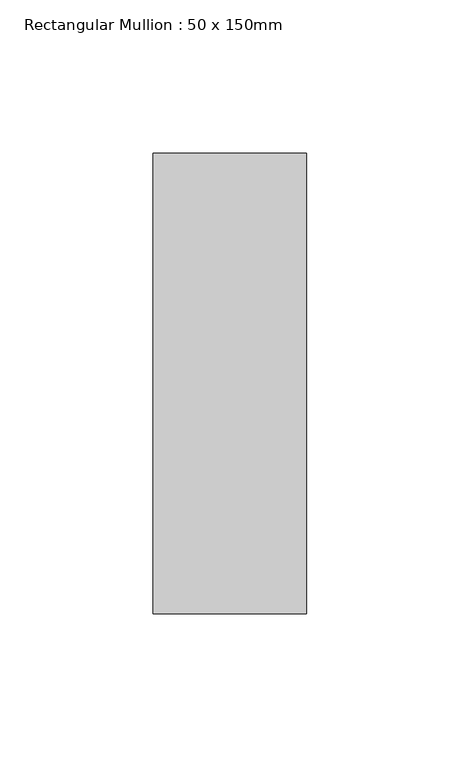
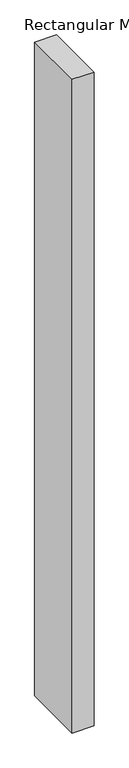
"""IFC4 building model written with IfcOpenShell, lengths in millimetres: member geometry, Rectangular Mullion : 50 x 150mm."""

from ifc_helpers import new_model, si_unit, frame, origin, place, context, project, spatial, polyline, outline, extrude, source, transform, mapped, element, save


def rectangular_mullion_50_x_150mm_280fadc7(model_context):
    return source(origin(), model_context, "Body", "SweptSolid", [
        extrude(outline(polyline([(0.0, 75.0), (0.0, -75.0), (-50.0, -75.0), (-50.0, 75.0), (0.0, 75.0)])), frame((0.0, 0.0, -1594.0), z_axis=(0.0, 0.0, 1.0), x_axis=(1.0, 0.0, 0.0)), (0.0, 0.0, 1.0), 1594.0),
    ])


if __name__ == "__main__":
    model = new_model("IFC4")
    model_context = context("Model", 3, world=origin())
    ifc_project = project(units=[si_unit("LENGTHUNIT", "METRE", prefix="MILLI")], contexts=[model_context])
    site = spatial("IfcSite", under=ifc_project)
    building = spatial("IfcBuilding", under=site)
    placement = place(None, origin())
    rectangular_mullion_50_x_150mm_shape = rectangular_mullion_50_x_150mm_280fadc7(model_context)
    element("IfcMember", 1, ObjectType="Rectangular Mullion : 50 x 150mm", at=placement, inside=building, context=model_context, shape_type="MappedRepresentation", body=[
        mapped(rectangular_mullion_50_x_150mm_shape, transform((0.0, 0.0, 0.0), x_axis=(1.0, 0.0, 0.0), y_axis=(0.0, 1.0, 0.0), z_axis=(0.0, 0.0, 1.0))),
    ])
    save(model, "model.ifc")
